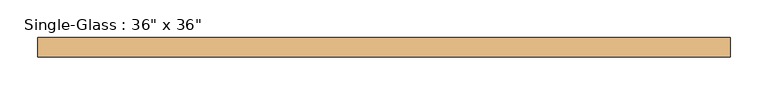
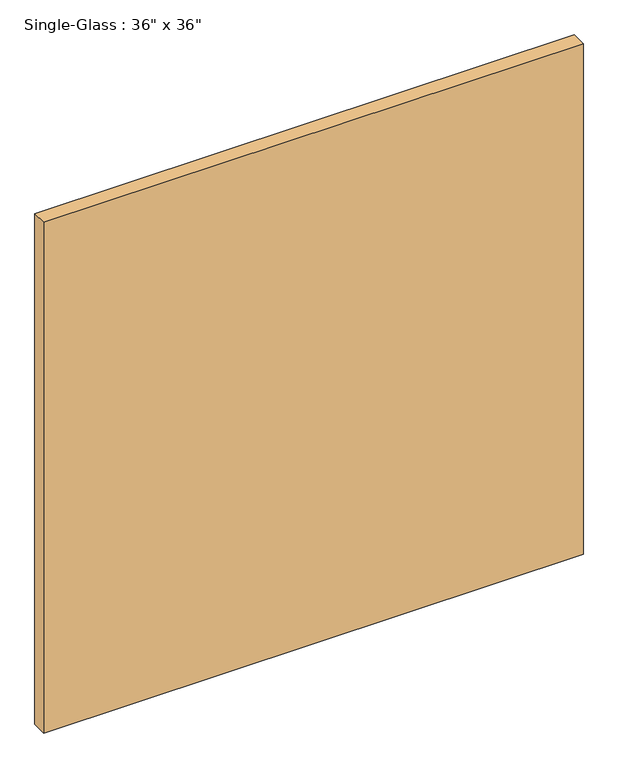
"""IFC4 building model written with IfcOpenShell, lengths in millimetres: door geometry."""

from ifc_helpers import new_model, si_unit, origin, origin_with_axes, place, context, project, spatial, polyline, outline, extrude, source, transform, mapped, element, save


def door_06004ff8(model_context):
    return source(origin(), model_context, "Body", "SweptSolid", [
        extrude(outline(polyline([(457.2, 0.0), (-457.2, 0.0), (-457.2, 25.4), (457.2, 25.4), (457.2, 0.0)])), origin_with_axes(), (0.0, 0.0, 1.0), 914.4),
    ])


if __name__ == "__main__":
    model = new_model("IFC4")
    model_context = context("Model", 3, world=origin())
    ifc_project = project(units=[si_unit("LENGTHUNIT", "METRE", prefix="MILLI")], contexts=[model_context])
    site = spatial("IfcSite", under=ifc_project)
    building = spatial("IfcBuilding", under=site)
    placement = place(None, origin())
    door_shape = door_06004ff8(model_context)
    element("IfcDoor", 1, ObjectType="Single-Glass : 36\" x 36\"", at=placement, inside=building, context=model_context, shape_type="MappedRepresentation", body=[
        mapped(door_shape, transform((0.0, 0.0, 0.0), x_axis=(1.0, 0.0, 0.0), y_axis=(0.0, 1.0, 0.0), z_axis=(0.0, 0.0, 1.0))),
    ])
    save(model, "model.ifc")
